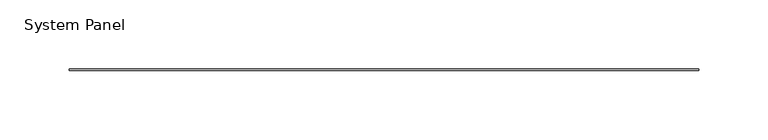
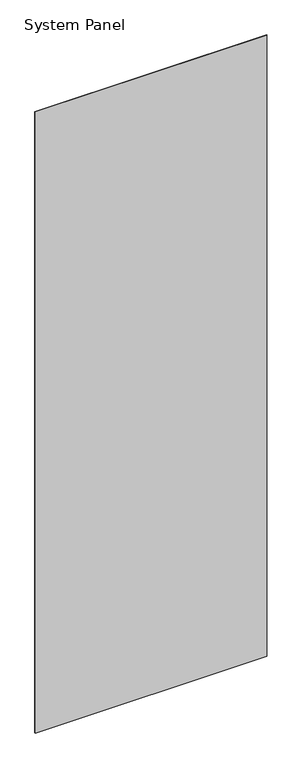
"""IFC4 building model written with IfcOpenShell, lengths in millimetres: plate geometry, System Panel."""

from ifc_helpers import new_model, si_unit, origin, origin_with_axes, place, context, project, spatial, polyline, outline, extrude, source, transform, mapped, element, save


def system_panel_2ae927c6(model_context):
    return source(origin(), model_context, "Body", "SweptSolid", [
        extrude(outline(polyline([(226.9490002, -0.4960938), (-226.9490002, -0.4960938), (-226.9490002, 0.4960937), (226.9490002, 0.4960937), (226.9490002, -0.4960938)])), origin_with_axes(), (0.0, 0.0, 1.0), 1285.875),
    ])


if __name__ == "__main__":
    model = new_model("IFC4")
    model_context = context("Model", 3, world=origin())
    ifc_project = project(units=[si_unit("LENGTHUNIT", "METRE", prefix="MILLI")], contexts=[model_context])
    site = spatial("IfcSite", under=ifc_project)
    building = spatial("IfcBuilding", under=site)
    placement = place(None, origin())
    system_panel_shape = system_panel_2ae927c6(model_context)
    element("IfcPlate", 1, ObjectType="System Panel", at=placement, inside=building, context=model_context, shape_type="MappedRepresentation", body=[
        mapped(system_panel_shape, transform((0.0, 0.0, 0.0), x_axis=(1.0, 0.0, 0.0), y_axis=(0.0, 1.0, 0.0), z_axis=(0.0, 0.0, 1.0))),
    ])
    save(model, "model.ifc")
